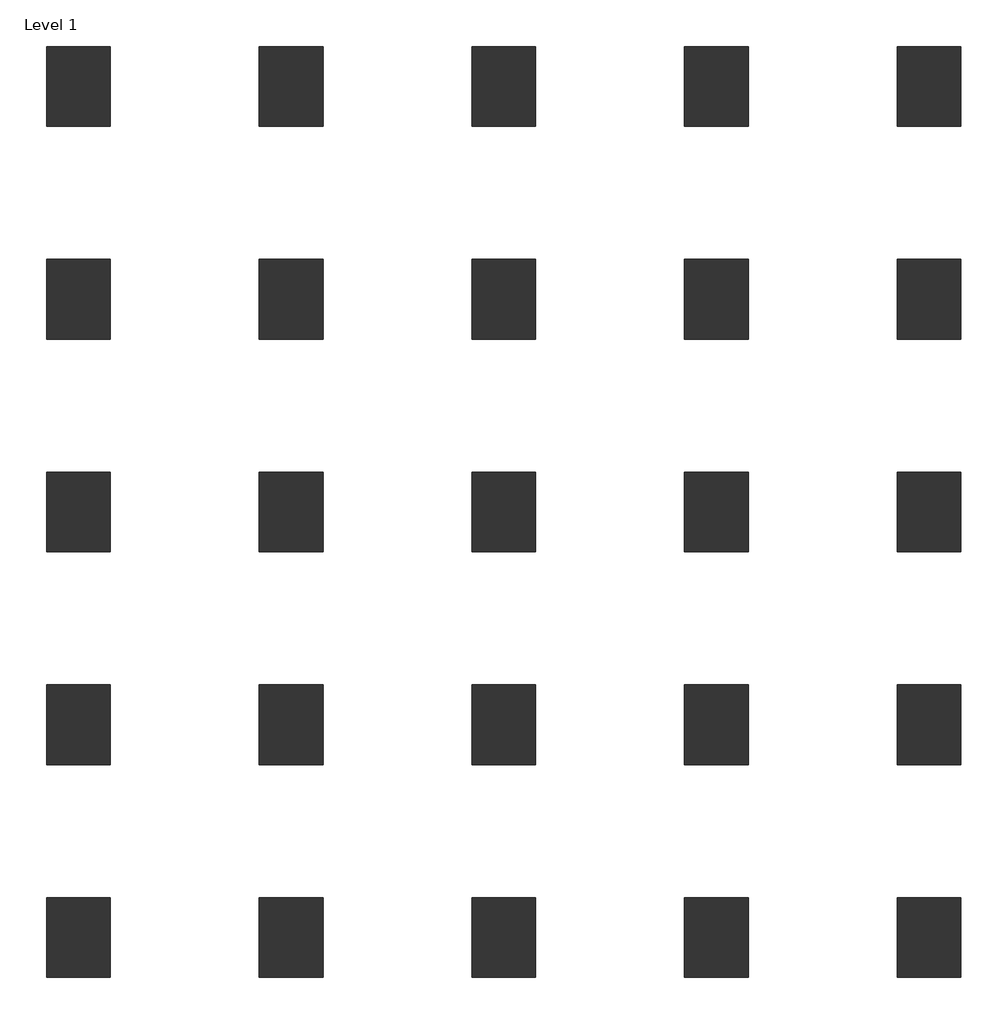
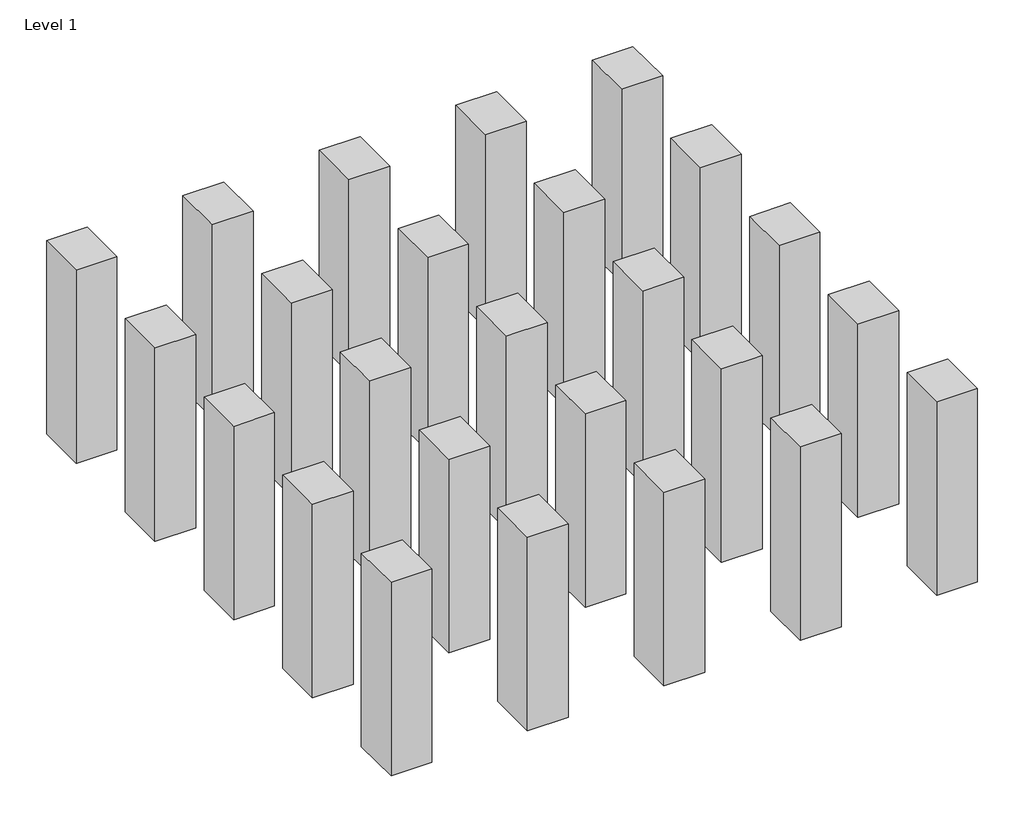
# One storey: 25 columns.
"""IFC4 building model written with IfcOpenShell, lengths in millimetres."""

from ifc_helpers import new_model, si_unit, origin, origin_with_axes, place, context, project, spatial, polyline, outline, extrude, element, save

model = new_model("IFC4")

# Units and contexts
model_context = context("Model", 3, world=origin())
ifc_project = project(units=[si_unit("LENGTHUNIT", "METRE", prefix="MILLI")], contexts=[model_context])

# Site, building, storey
site = spatial("IfcSite", under=ifc_project)
building = spatial("IfcBuilding", under=site)
storey = spatial("IfcBuildingStorey", under=building, Name="Level 1", Elevation=0.0)

# Columns
placement = place(None, origin())
element("IfcColumn", 1, ObjectType="M_Concrete-Rectangular-Column : 600 x 750mm", at=placement, inside=storey, context=model_context, shape_type="SweptSolid", body=[
    extrude(outline(polyline([(-4701.1277993, 6848.9289162), (-4701.1277993, 6098.9289162), (-5301.1277993, 6098.9289162), (-5301.1277993, 6848.9289162), (-4701.1277993, 6848.9289162)])), origin_with_axes(), (0.0, 0.0, 1.0), 3000.0),
])
element("IfcColumn", 2, ObjectType="M_Concrete-Rectangular-Column : 600 x 750mm", at=placement, inside=storey, context=model_context, shape_type="SweptSolid", body=[
    extrude(outline(polyline([(-2701.1277993, 6848.9289162), (-2701.1277993, 6098.9289162), (-3301.1277993, 6098.9289162), (-3301.1277993, 6848.9289162), (-2701.1277993, 6848.9289162)])), origin_with_axes(), (0.0, 0.0, 1.0), 3000.0),
])
element("IfcColumn", 3, ObjectType="M_Concrete-Rectangular-Column : 600 x 750mm", at=placement, inside=storey, context=model_context, shape_type="SweptSolid", body=[
    extrude(outline(polyline([(-701.1277993, 6848.9289162), (-701.1277993, 6098.9289162), (-1301.1277993, 6098.9289162), (-1301.1277993, 6848.9289162), (-701.1277993, 6848.9289162)])), origin_with_axes(), (0.0, 0.0, 1.0), 3000.0),
])
element("IfcColumn", 4, ObjectType="M_Concrete-Rectangular-Column : 600 x 750mm", at=placement, inside=storey, context=model_context, shape_type="SweptSolid", body=[
    extrude(outline(polyline([(1298.8722007, 6848.9289162), (1298.8722007, 6098.9289162), (698.8722007, 6098.9289162), (698.8722007, 6848.9289162), (1298.8722007, 6848.9289162)])), origin_with_axes(), (0.0, 0.0, 1.0), 3000.0),
])
element("IfcColumn", 5, ObjectType="M_Concrete-Rectangular-Column : 600 x 750mm", at=placement, inside=storey, context=model_context, shape_type="SweptSolid", body=[
    extrude(outline(polyline([(3298.8722007, 6848.9289162), (3298.8722007, 6098.9289162), (2698.8722007, 6098.9289162), (2698.8722007, 6848.9289162), (3298.8722007, 6848.9289162)])), origin_with_axes(), (0.0, 0.0, 1.0), 3000.0),
])
element("IfcColumn", 6, ObjectType="M_Concrete-Rectangular-Column : 600 x 750mm", at=placement, inside=storey, context=model_context, shape_type="SweptSolid", body=[
    extrude(outline(polyline([(-4701.1277993, 4848.9289162), (-4701.1277993, 4098.9289162), (-5301.1277993, 4098.9289162), (-5301.1277993, 4848.9289162), (-4701.1277993, 4848.9289162)])), origin_with_axes(), (0.0, 0.0, 1.0), 3000.0),
])
element("IfcColumn", 7, ObjectType="M_Concrete-Rectangular-Column : 600 x 750mm", at=placement, inside=storey, context=model_context, shape_type="SweptSolid", body=[
    extrude(outline(polyline([(-2701.1277993, 4848.9289162), (-2701.1277993, 4098.9289162), (-3301.1277993, 4098.9289162), (-3301.1277993, 4848.9289162), (-2701.1277993, 4848.9289162)])), origin_with_axes(), (0.0, 0.0, 1.0), 3000.0),
])
element("IfcColumn", 8, ObjectType="M_Concrete-Rectangular-Column : 600 x 750mm", at=placement, inside=storey, context=model_context, shape_type="SweptSolid", body=[
    extrude(outline(polyline([(-701.1277993, 4848.9289162), (-701.1277993, 4098.9289162), (-1301.1277993, 4098.9289162), (-1301.1277993, 4848.9289162), (-701.1277993, 4848.9289162)])), origin_with_axes(), (0.0, 0.0, 1.0), 3000.0),
])
element("IfcColumn", 9, ObjectType="M_Concrete-Rectangular-Column : 600 x 750mm", at=placement, inside=storey, context=model_context, shape_type="SweptSolid", body=[
    extrude(outline(polyline([(1298.8722007, 4848.9289162), (1298.8722007, 4098.9289162), (698.8722007, 4098.9289162), (698.8722007, 4848.9289162), (1298.8722007, 4848.9289162)])), origin_with_axes(), (0.0, 0.0, 1.0), 3000.0),
])
element("IfcColumn", 10, ObjectType="M_Concrete-Rectangular-Column : 600 x 750mm", at=placement, inside=storey, context=model_context, shape_type="SweptSolid", body=[
    extrude(outline(polyline([(3298.8722007, 4848.9289162), (3298.8722007, 4098.9289162), (2698.8722007, 4098.9289162), (2698.8722007, 4848.9289162), (3298.8722007, 4848.9289162)])), origin_with_axes(), (0.0, 0.0, 1.0), 3000.0),
])
element("IfcColumn", 11, ObjectType="M_Concrete-Rectangular-Column : 600 x 750mm", at=placement, inside=storey, context=model_context, shape_type="SweptSolid", body=[
    extrude(outline(polyline([(-4701.1277993, 2848.9289162), (-4701.1277993, 2098.9289162), (-5301.1277993, 2098.9289162), (-5301.1277993, 2848.9289162), (-4701.1277993, 2848.9289162)])), origin_with_axes(), (0.0, 0.0, 1.0), 3000.0),
])
element("IfcColumn", 12, ObjectType="M_Concrete-Rectangular-Column : 600 x 750mm", at=placement, inside=storey, context=model_context, shape_type="SweptSolid", body=[
    extrude(outline(polyline([(-2701.1277993, 2848.9289162), (-2701.1277993, 2098.9289162), (-3301.1277993, 2098.9289162), (-3301.1277993, 2848.9289162), (-2701.1277993, 2848.9289162)])), origin_with_axes(), (0.0, 0.0, 1.0), 3000.0),
])
element("IfcColumn", 13, ObjectType="M_Concrete-Rectangular-Column : 600 x 750mm", at=placement, inside=storey, context=model_context, shape_type="SweptSolid", body=[
    extrude(outline(polyline([(-701.1277993, 2848.9289162), (-701.1277993, 2098.9289162), (-1301.1277993, 2098.9289162), (-1301.1277993, 2848.9289162), (-701.1277993, 2848.9289162)])), origin_with_axes(), (0.0, 0.0, 1.0), 3000.0),
])
element("IfcColumn", 14, ObjectType="M_Concrete-Rectangular-Column : 600 x 750mm", at=placement, inside=storey, context=model_context, shape_type="SweptSolid", body=[
    extrude(outline(polyline([(1298.8722007, 2848.9289162), (1298.8722007, 2098.9289162), (698.8722007, 2098.9289162), (698.8722007, 2848.9289162), (1298.8722007, 2848.9289162)])), origin_with_axes(), (0.0, 0.0, 1.0), 3000.0),
])
element("IfcColumn", 15, ObjectType="M_Concrete-Rectangular-Column : 600 x 750mm", at=placement, inside=storey, context=model_context, shape_type="SweptSolid", body=[
    extrude(outline(polyline([(3298.8722007, 2848.9289162), (3298.8722007, 2098.9289162), (2698.8722007, 2098.9289162), (2698.8722007, 2848.9289162), (3298.8722007, 2848.9289162)])), origin_with_axes(), (0.0, 0.0, 1.0), 3000.0),
])
element("IfcColumn", 16, ObjectType="M_Concrete-Rectangular-Column : 600 x 750mm", at=placement, inside=storey, context=model_context, shape_type="SweptSolid", body=[
    extrude(outline(polyline([(-4701.1277993, 848.9289162), (-4701.1277993, 98.9289162), (-5301.1277993, 98.9289162), (-5301.1277993, 848.9289162), (-4701.1277993, 848.9289162)])), origin_with_axes(), (0.0, 0.0, 1.0), 3000.0),
])
element("IfcColumn", 17, ObjectType="M_Concrete-Rectangular-Column : 600 x 750mm", at=placement, inside=storey, context=model_context, shape_type="SweptSolid", body=[
    extrude(outline(polyline([(-2701.1277993, 848.9289162), (-2701.1277993, 98.9289162), (-3301.1277993, 98.9289162), (-3301.1277993, 848.9289162), (-2701.1277993, 848.9289162)])), origin_with_axes(), (0.0, 0.0, 1.0), 3000.0),
])
element("IfcColumn", 18, ObjectType="M_Concrete-Rectangular-Column : 600 x 750mm", at=placement, inside=storey, context=model_context, shape_type="SweptSolid", body=[
    extrude(outline(polyline([(-701.1277993, 848.9289162), (-701.1277993, 98.9289162), (-1301.1277993, 98.9289162), (-1301.1277993, 848.9289162), (-701.1277993, 848.9289162)])), origin_with_axes(), (0.0, 0.0, 1.0), 3000.0),
])
element("IfcColumn", 19, ObjectType="M_Concrete-Rectangular-Column : 600 x 750mm", at=placement, inside=storey, context=model_context, shape_type="SweptSolid", body=[
    extrude(outline(polyline([(1298.8722007, 848.9289162), (1298.8722007, 98.9289162), (698.8722007, 98.9289162), (698.8722007, 848.9289162), (1298.8722007, 848.9289162)])), origin_with_axes(), (0.0, 0.0, 1.0), 3000.0),
])
element("IfcColumn", 20, ObjectType="M_Concrete-Rectangular-Column : 600 x 750mm", at=placement, inside=storey, context=model_context, shape_type="SweptSolid", body=[
    extrude(outline(polyline([(3298.8722007, 848.9289162), (3298.8722007, 98.9289162), (2698.8722007, 98.9289162), (2698.8722007, 848.9289162), (3298.8722007, 848.9289162)])), origin_with_axes(), (0.0, 0.0, 1.0), 3000.0),
])
element("IfcColumn", 21, ObjectType="M_Concrete-Rectangular-Column : 600 x 750mm", at=placement, inside=storey, context=model_context, shape_type="SweptSolid", body=[
    extrude(outline(polyline([(-4701.1277993, -1151.0710838), (-4701.1277993, -1901.0710838), (-5301.1277993, -1901.0710838), (-5301.1277993, -1151.0710838), (-4701.1277993, -1151.0710838)])), origin_with_axes(), (0.0, 0.0, 1.0), 3000.0),
])
element("IfcColumn", 22, ObjectType="M_Concrete-Rectangular-Column : 600 x 750mm", at=placement, inside=storey, context=model_context, shape_type="SweptSolid", body=[
    extrude(outline(polyline([(-2701.1277993, -1151.0710838), (-2701.1277993, -1901.0710838), (-3301.1277993, -1901.0710838), (-3301.1277993, -1151.0710838), (-2701.1277993, -1151.0710838)])), origin_with_axes(), (0.0, 0.0, 1.0), 3000.0),
])
element("IfcColumn", 23, ObjectType="M_Concrete-Rectangular-Column : 600 x 750mm", at=placement, inside=storey, context=model_context, shape_type="SweptSolid", body=[
    extrude(outline(polyline([(-701.1277993, -1151.0710838), (-701.1277993, -1901.0710838), (-1301.1277993, -1901.0710838), (-1301.1277993, -1151.0710838), (-701.1277993, -1151.0710838)])), origin_with_axes(), (0.0, 0.0, 1.0), 3000.0),
])
element("IfcColumn", 24, ObjectType="M_Concrete-Rectangular-Column : 600 x 750mm", at=placement, inside=storey, context=model_context, shape_type="SweptSolid", body=[
    extrude(outline(polyline([(1298.8722007, -1151.0710838), (1298.8722007, -1901.0710838), (698.8722007, -1901.0710838), (698.8722007, -1151.0710838), (1298.8722007, -1151.0710838)])), origin_with_axes(), (0.0, 0.0, 1.0), 3000.0),
])
element("IfcColumn", 25, ObjectType="M_Concrete-Rectangular-Column : 600 x 750mm", at=placement, inside=storey, context=model_context, shape_type="SweptSolid", body=[
    extrude(outline(polyline([(3298.8722007, -1151.0710838), (3298.8722007, -1901.0710838), (2698.8722007, -1901.0710838), (2698.8722007, -1151.0710838), (3298.8722007, -1151.0710838)])), origin_with_axes(), (0.0, 0.0, 1.0), 3000.0),
])

save(model, "model.ifc")
